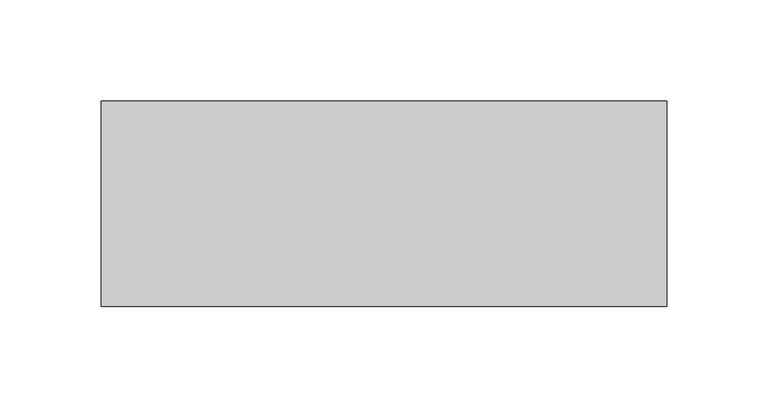
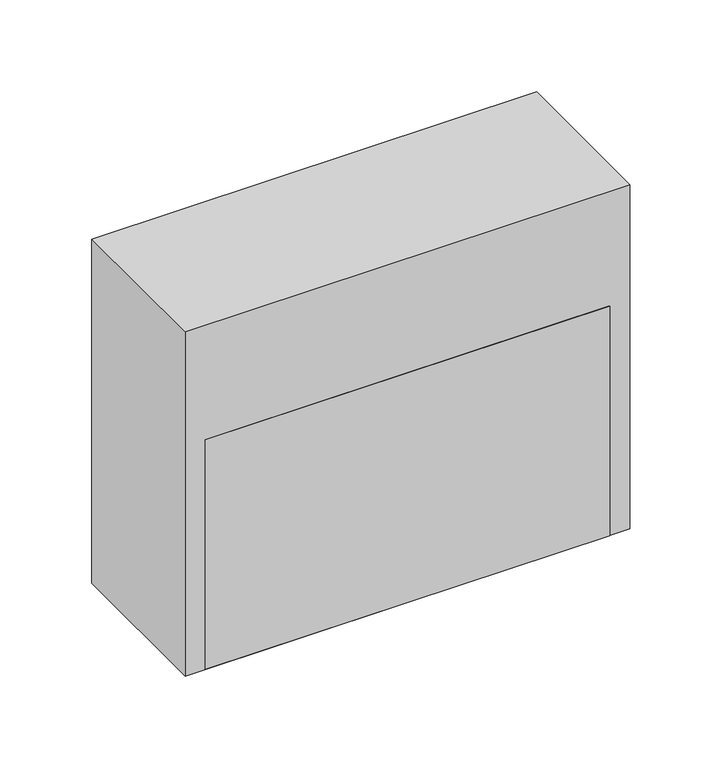
"""IFC4 building model written with IfcOpenShell, lengths in millimetres: proxy geometry."""

from ifc_helpers import new_model, si_unit, origin, origin_with_axes, place, context, project, spatial, polyline, outline, extrude, source, transform, mapped, element, save


def specialty_equipment_caad100d(model_context):
    return source(origin(), model_context, "Body", "SweptSolid", [
        extrude(outline(polyline([(127.0, 0.0), (-127.0, 0.0), (-127.0, 101.6), (127.0, 101.6), (127.0, 0.0)])), origin_with_axes(), (0.0, 0.0, 1.0), 152.4),
        extrude(outline(polyline([(139.7, 101.6), (139.7, 0.0), (-139.7, 0.0), (-139.7, 101.6), (139.7, 101.6)])), origin_with_axes(), (0.0, 0.0, 1.0), 228.6),
    ])


if __name__ == "__main__":
    model = new_model("IFC4")
    model_context = context("Model", 3, world=origin())
    ifc_project = project(units=[si_unit("LENGTHUNIT", "METRE", prefix="MILLI")], contexts=[model_context])
    site = spatial("IfcSite", under=ifc_project)
    building = spatial("IfcBuilding", under=site)
    placement = place(None, origin())
    specialty_equipment_shape = specialty_equipment_caad100d(model_context)
    element("IfcBuildingElementProxy", 1, Name="Specialty Equipment", at=placement, inside=building, context=model_context, shape_type="MappedRepresentation", body=[
        mapped(specialty_equipment_shape, transform((0.0, 0.0, 0.0), x_axis=(1.0, 0.0, 0.0), y_axis=(0.0, 1.0, 0.0), z_axis=(0.0, 0.0, 1.0))),
    ])
    save(model, "model.ifc")
